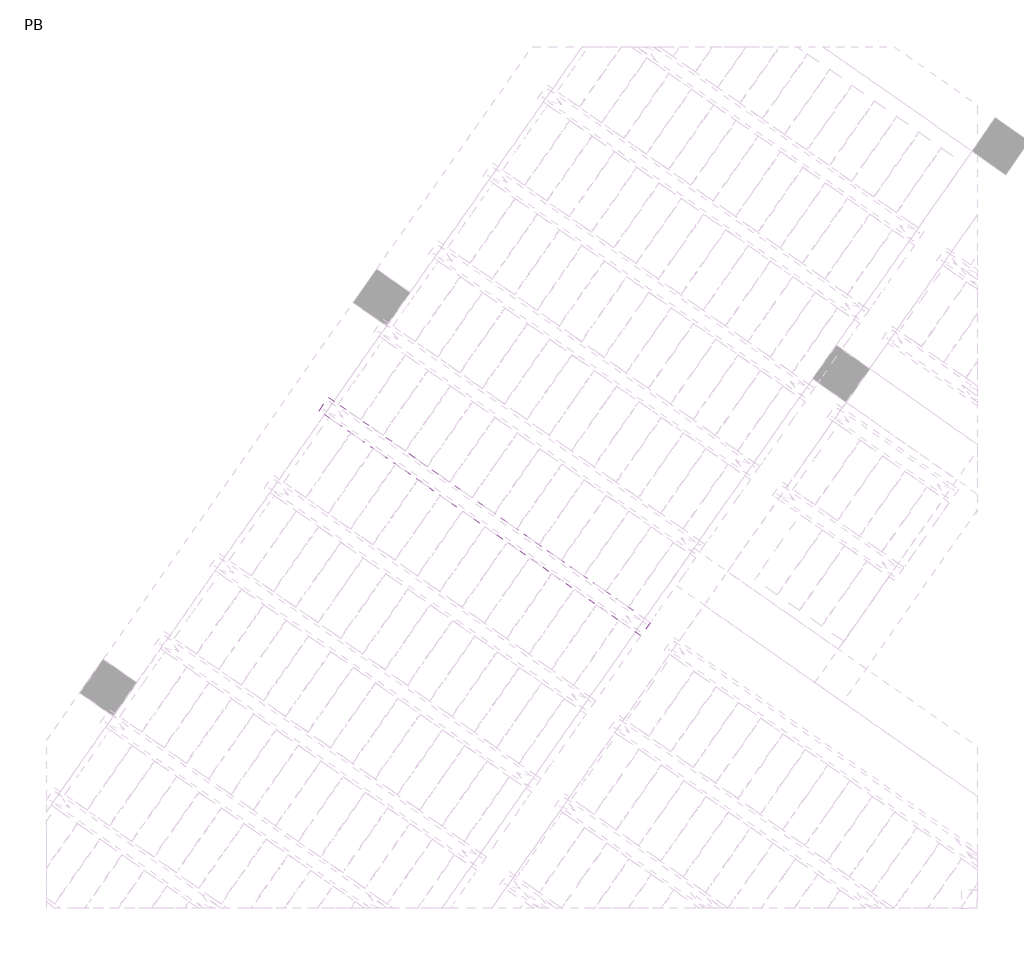
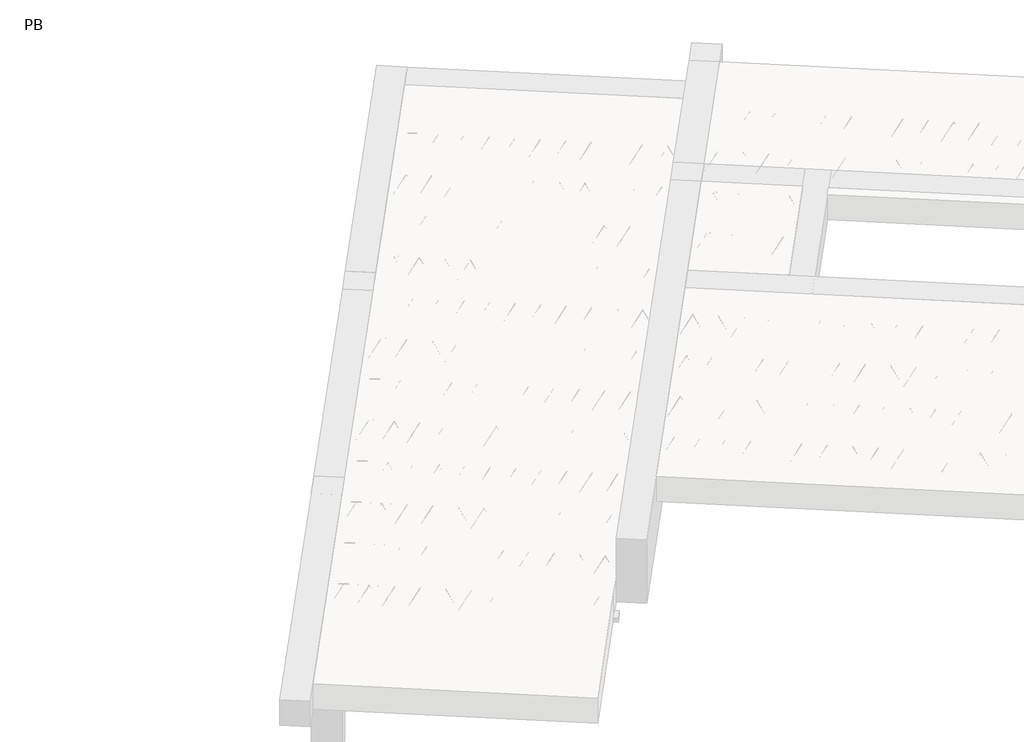
# One storey, part 34 of 56: 2 beams.
"""IFC4 building model written with IfcOpenShell, lengths in millimetres."""

from ifc_helpers import new_model, si_unit, point, frame, origin, origin_2d, place, context, project, spatial, polyline, circle_curve, trimmed, segment, composite_curve, outline, extrude, element, save

model = new_model("IFC4")

# Units and contexts
model_context = context("Model", 3, world=origin())
ifc_project = project(units=[si_unit("LENGTHUNIT", "METRE", prefix="MILLI")], contexts=[model_context])

# Site, building, storey
site = spatial("IfcSite", under=ifc_project)
building = spatial("IfcBuilding", under=site)
storey = spatial("IfcBuildingStorey", under=building, Name="PB", Elevation=95940.0)

# Beams
placement = place(None, origin())
element("IfcBeam", 1, at=placement, inside=storey, context=model_context, shape_type="SweptSolid", body=[
    extrude(outline(polyline([(1997.5816138, 7256.9146354), (2066.4107861, 7355.2128807), (4429.2526101, 5700.7332239), (4360.4234377, 5602.4349786), (1997.5816138, 7256.9146354)])), frame((0.0, 0.0, 98760.0), z_axis=(0.0, 0.0, 1.0), x_axis=(1.0, 0.0, 0.0)), (0.0, 0.0, 1.0), 50.0),
    extrude(outline(composite_curve([segment(trimmed(circle_curve(origin_2d(), 2.5), [point((-2.5, 0.0))], [point((2.5, 0.0))], False, "CARTESIAN"), True, "CONTINUOUS"), segment(trimmed(circle_curve(origin_2d(), 2.5), [point((2.5, 0.0))], [point((-2.5, 0.0))], False, "CARTESIAN"), True, "CONTINUOUS")], self_intersect=False)), frame((4354.5296231, 5635.8604621, 98785.0), z_axis=(-0.8191520442696126, 0.5735764363787226, 0.0), x_axis=(0.5735764363787226, 0.8191520442696126, 0.0)), (0.0, 0.0, 1.0), 2836.497256),
    extrude(outline(composite_curve([segment(trimmed(circle_curve(origin_2d(), 2.5), [point((-2.5, 0.0))], [point((2.5, 0.0))], False, "CARTESIAN"), True, "CONTINUOUS"), segment(trimmed(circle_curve(origin_2d(), 2.5), [point((2.5, 0.0))], [point((-2.5, 0.0))], False, "CARTESIAN"), True, "CONTINUOUS")], self_intersect=False)), frame((4278.3147694, 5733.1745624, 99010.0), z_axis=(-0.8191520442696126, 0.5735764363787226, 0.0), x_axis=(0.5735764363787226, 0.8191520442696126, 0.0)), (0.0, 0.0, 1.0), 2600.0),
    extrude(outline(composite_curve([segment(trimmed(circle_curve(origin_2d(), 2.5), [point((-2.5, 0.0))], [point((2.5000001, -1e-07))], False, "CARTESIAN"), True, "CONTINUOUS"), segment(trimmed(circle_curve(origin_2d(), 2.5), [point((2.5000001, -1e-07))], [point((-2.5, 0.0))], False, "CARTESIAN"), True, "CONTINUOUS")], self_intersect=False)), frame((4319.102421, 5660.6668561, 98785.0), z_axis=(-0.3145304735701046, 0.38933448886848654, 0.8657304643902053), x_axis=(0.7778747638402499, 0.6284193279813057, 0.0)), (0.0, 0.0, 1.0), 259.8961331),
    extrude(outline(composite_curve([segment(trimmed(circle_curve(origin_2d(), 2.5), [point((2.5, 0.0))], [point((-2.5, 1e-07))], False, "CARTESIAN"), True, "CONTINUOUS"), segment(trimmed(circle_curve(origin_2d(), 2.5), [point((-2.5, 1e-07))], [point((2.5, 0.0))], False, "CARTESIAN"), True, "CONTINUOUS")], self_intersect=False)), frame((4114.3144099, 5804.0609652, 98785.0), z_axis=(0.47343050384693375, -0.16240172737369005, 0.8657304643902051), x_axis=(-0.3244721671091268, -0.9458952440791246, 0.0)), (0.0, 0.0, 1.0), 259.8961331),
    extrude(outline(composite_curve([segment(trimmed(circle_curve(origin_2d(), 2.5), [point((-2.5, 0.0))], [point((2.5000001, -1e-07))], False, "CARTESIAN"), True, "CONTINUOUS"), segment(trimmed(circle_curve(origin_2d(), 2.5), [point((2.5000001, -1e-07))], [point((-2.5, 0.0))], False, "CARTESIAN"), True, "CONTINUOUS")], self_intersect=False)), frame((4114.3144099, 5804.0609652, 98785.0), z_axis=(-0.3145304735701046, 0.38933448886848654, 0.8657304643902053), x_axis=(0.7778747638402499, 0.6284193279813057, 0.0)), (0.0, 0.0, 1.0), 259.8961331),
    extrude(outline(composite_curve([segment(trimmed(circle_curve(origin_2d(), 2.5), [point((2.5, 0.0))], [point((-2.5, 0.0))], False, "CARTESIAN"), True, "CONTINUOUS"), segment(trimmed(circle_curve(origin_2d(), 2.5), [point((-2.5, 0.0))], [point((2.5, 0.0))], False, "CARTESIAN"), True, "CONTINUOUS")], self_intersect=False)), frame((3909.5263989, 5947.4550743, 98785.0), z_axis=(0.47343050384693375, -0.16240172737369005, 0.8657304643902051), x_axis=(-0.3244721671091268, -0.9458952440791246, 0.0)), (0.0, 0.0, 1.0), 259.8961331),
    extrude(outline(composite_curve([segment(trimmed(circle_curve(origin_2d(), 2.5), [point((-2.5, 0.0))], [point((2.5, 0.0))], False, "CARTESIAN"), True, "CONTINUOUS"), segment(trimmed(circle_curve(origin_2d(), 2.5), [point((2.5, 0.0))], [point((-2.5, 0.0))], False, "CARTESIAN"), True, "CONTINUOUS")], self_intersect=False)), frame((3909.5263989, 5947.4550743, 98785.0), z_axis=(-0.3145304735701046, 0.38933448886848654, 0.8657304643902053), x_axis=(0.7778747638402499, 0.6284193279813057, 0.0)), (0.0, 0.0, 1.0), 259.8961331),
    extrude(outline(composite_curve([segment(trimmed(circle_curve(origin_2d(), 2.5), [point((2.5, 0.0))], [point((-2.5, 0.0))], False, "CARTESIAN"), True, "CONTINUOUS"), segment(trimmed(circle_curve(origin_2d(), 2.5), [point((-2.5, 0.0))], [point((2.5, 0.0))], False, "CARTESIAN"), True, "CONTINUOUS")], self_intersect=False)), frame((3704.7383878, 6090.8491834, 98785.0), z_axis=(0.47343050384693375, -0.16240172737369005, 0.8657304643902051), x_axis=(-0.3244721671091268, -0.9458952440791246, 0.0)), (0.0, 0.0, 1.0), 259.8961331),
    extrude(outline(composite_curve([segment(trimmed(circle_curve(origin_2d(), 2.5), [point((-2.5, 0.0))], [point((2.5, 0.0))], False, "CARTESIAN"), True, "CONTINUOUS"), segment(trimmed(circle_curve(origin_2d(), 2.5), [point((2.5, 0.0))], [point((-2.5, 0.0))], False, "CARTESIAN"), True, "CONTINUOUS")], self_intersect=False)), frame((3704.7383878, 6090.8491834, 98785.0), z_axis=(-0.3145304735701046, 0.38933448886848654, 0.8657304643902053), x_axis=(0.7778747638402499, 0.6284193279813057, 0.0)), (0.0, 0.0, 1.0), 259.8961331),
    extrude(outline(composite_curve([segment(trimmed(circle_curve(origin_2d(), 2.5), [point((2.5, 0.0))], [point((-2.5, 1e-07))], False, "CARTESIAN"), True, "CONTINUOUS"), segment(trimmed(circle_curve(origin_2d(), 2.5), [point((-2.5, 1e-07))], [point((2.5, 0.0))], False, "CARTESIAN"), True, "CONTINUOUS")], self_intersect=False)), frame((3499.9503767, 6234.2432925, 98785.0), z_axis=(0.47343050384693375, -0.16240172737369005, 0.8657304643902051), x_axis=(-0.3244721671091268, -0.9458952440791246, 0.0)), (0.0, 0.0, 1.0), 259.8961331),
    extrude(outline(composite_curve([segment(trimmed(circle_curve(origin_2d(), 2.5), [point((-2.5, 0.0))], [point((2.5, 0.0))], False, "CARTESIAN"), True, "CONTINUOUS"), segment(trimmed(circle_curve(origin_2d(), 2.5), [point((2.5, 0.0))], [point((-2.5, 0.0))], False, "CARTESIAN"), True, "CONTINUOUS")], self_intersect=False)), frame((3499.9503768, 6234.2432924, 98785.0), z_axis=(-0.3145304735701046, 0.38933448886848654, 0.8657304643902053), x_axis=(0.7778747638402499, 0.6284193279813057, 0.0)), (0.0, 0.0, 1.0), 259.8961331),
    extrude(outline(composite_curve([segment(trimmed(circle_curve(origin_2d(), 2.5), [point((2.5, -1e-07))], [point((-2.5, 0.0))], False, "CARTESIAN"), True, "CONTINUOUS"), segment(trimmed(circle_curve(origin_2d(), 2.5), [point((-2.5, 0.0))], [point((2.5, -1e-07))], False, "CARTESIAN"), True, "CONTINUOUS")], self_intersect=False)), frame((3295.1623658, 6377.6374015, 98785.0), z_axis=(0.47343050384693375, -0.16240172737369005, 0.8657304643902051), x_axis=(-0.3244721671091268, -0.9458952440791246, 0.0)), (0.0, 0.0, 1.0), 259.8961331),
    extrude(outline(composite_curve([segment(trimmed(circle_curve(origin_2d(), 2.5), [point((-2.5, 0.0))], [point((2.5, 0.0))], False, "CARTESIAN"), True, "CONTINUOUS"), segment(trimmed(circle_curve(origin_2d(), 2.5), [point((2.5, 0.0))], [point((-2.5, 0.0))], False, "CARTESIAN"), True, "CONTINUOUS")], self_intersect=False)), frame((3295.1623658, 6377.6374015, 98785.0), z_axis=(-0.3145304735701046, 0.38933448886848654, 0.8657304643902053), x_axis=(0.7778747638402499, 0.6284193279813057, 0.0)), (0.0, 0.0, 1.0), 259.8961331),
    extrude(outline(composite_curve([segment(trimmed(circle_curve(origin_2d(), 2.5), [point((2.5, 0.0))], [point((-2.5, 0.0))], False, "CARTESIAN"), True, "CONTINUOUS"), segment(trimmed(circle_curve(origin_2d(), 2.5), [point((-2.5, 0.0))], [point((2.5, 0.0))], False, "CARTESIAN"), True, "CONTINUOUS")], self_intersect=False)), frame((3090.3743547, 6521.0315106, 98785.0), z_axis=(0.47343050384693375, -0.16240172737369005, 0.8657304643902051), x_axis=(-0.3244721671091268, -0.9458952440791246, 0.0)), (0.0, 0.0, 1.0), 259.8961331),
    extrude(outline(composite_curve([segment(trimmed(circle_curve(origin_2d(), 2.5), [point((-2.5, 0.0))], [point((2.5, 0.0))], False, "CARTESIAN"), True, "CONTINUOUS"), segment(trimmed(circle_curve(origin_2d(), 2.5), [point((2.5, 0.0))], [point((-2.5, 0.0))], False, "CARTESIAN"), True, "CONTINUOUS")], self_intersect=False)), frame((3090.3743547, 6521.0315106, 98785.0), z_axis=(-0.3145304735701046, 0.38933448886848654, 0.8657304643902053), x_axis=(0.7778747638402499, 0.6284193279813057, 0.0)), (0.0, 0.0, 1.0), 259.8961331),
    extrude(outline(composite_curve([segment(trimmed(circle_curve(origin_2d(), 2.5), [point((2.5, 0.0))], [point((-2.5, 0.0))], False, "CARTESIAN"), True, "CONTINUOUS"), segment(trimmed(circle_curve(origin_2d(), 2.5), [point((-2.5, 0.0))], [point((2.5, 0.0))], False, "CARTESIAN"), True, "CONTINUOUS")], self_intersect=False)), frame((2885.5863436, 6664.4256197, 98785.0), z_axis=(0.47343050384693375, -0.16240172737369005, 0.8657304643902051), x_axis=(-0.3244721671091268, -0.9458952440791246, 0.0)), (0.0, 0.0, 1.0), 259.8961331),
    extrude(outline(composite_curve([segment(trimmed(circle_curve(origin_2d(), 2.5), [point((-2.5, 0.0))], [point((2.5, 0.0))], False, "CARTESIAN"), True, "CONTINUOUS"), segment(trimmed(circle_curve(origin_2d(), 2.5), [point((2.5, 0.0))], [point((-2.5, 0.0))], False, "CARTESIAN"), True, "CONTINUOUS")], self_intersect=False)), frame((2885.5863436, 6664.4256197, 98785.0), z_axis=(-0.3145304735701046, 0.38933448886848654, 0.8657304643902053), x_axis=(0.7778747638402499, 0.6284193279813057, 0.0)), (0.0, 0.0, 1.0), 259.8961331),
    extrude(outline(composite_curve([segment(trimmed(circle_curve(origin_2d(), 2.5), [point((2.5, -1e-07))], [point((-2.5, 0.0))], False, "CARTESIAN"), True, "CONTINUOUS"), segment(trimmed(circle_curve(origin_2d(), 2.5), [point((-2.5, 0.0))], [point((2.5, -1e-07))], False, "CARTESIAN"), True, "CONTINUOUS")], self_intersect=False)), frame((2680.7983326, 6807.8197288, 98785.0), z_axis=(0.47343050384693375, -0.16240172737369005, 0.8657304643902051), x_axis=(-0.3244721671091268, -0.9458952440791246, 0.0)), (0.0, 0.0, 1.0), 259.8961331),
    extrude(outline(composite_curve([segment(trimmed(circle_curve(origin_2d(), 2.5), [point((-2.5000001, 1e-07))], [point((2.5, 0.0))], False, "CARTESIAN"), True, "CONTINUOUS"), segment(trimmed(circle_curve(origin_2d(), 2.5), [point((2.5, 0.0))], [point((-2.5000001, 1e-07))], False, "CARTESIAN"), True, "CONTINUOUS")], self_intersect=False)), frame((2680.7983326, 6807.8197288, 98785.0), z_axis=(-0.3145304735701046, 0.38933448886848654, 0.8657304643902053), x_axis=(0.7778747638402499, 0.6284193279813057, 0.0)), (0.0, 0.0, 1.0), 259.8961331),
    extrude(outline(composite_curve([segment(trimmed(circle_curve(origin_2d(), 2.5), [point((2.5, 0.0))], [point((-2.5, 0.0))], False, "CARTESIAN"), True, "CONTINUOUS"), segment(trimmed(circle_curve(origin_2d(), 2.5), [point((-2.5, 0.0))], [point((2.5, 0.0))], False, "CARTESIAN"), True, "CONTINUOUS")], self_intersect=False)), frame((2476.0103215, 6951.2138379, 98785.0), z_axis=(0.47343050384693375, -0.16240172737369005, 0.8657304643902051), x_axis=(-0.3244721671091268, -0.9458952440791246, 0.0)), (0.0, 0.0, 1.0), 259.8961331),
    extrude(outline(composite_curve([segment(trimmed(circle_curve(origin_2d(), 2.5), [point((-2.5, 0.0))], [point((2.5, 0.0))], False, "CARTESIAN"), True, "CONTINUOUS"), segment(trimmed(circle_curve(origin_2d(), 2.5), [point((2.5, 0.0))], [point((-2.5, 0.0))], False, "CARTESIAN"), True, "CONTINUOUS")], self_intersect=False)), frame((2476.0103215, 6951.2138379, 98785.0), z_axis=(-0.3145304735701046, 0.38933448886848654, 0.8657304643902053), x_axis=(0.7778747638402499, 0.6284193279813057, 0.0)), (0.0, 0.0, 1.0), 259.8961331),
    extrude(outline(composite_curve([segment(trimmed(circle_curve(origin_2d(), 2.5), [point((2.5, 0.0))], [point((-2.5, 0.0))], False, "CARTESIAN"), True, "CONTINUOUS"), segment(trimmed(circle_curve(origin_2d(), 2.5), [point((-2.5, 0.0))], [point((2.5, 0.0))], False, "CARTESIAN"), True, "CONTINUOUS")], self_intersect=False)), frame((2271.2223104, 7094.607947, 98785.0), z_axis=(0.47343050384693375, -0.16240172737369005, 0.8657304643902051), x_axis=(-0.3244721671091268, -0.9458952440791246, 0.0)), (0.0, 0.0, 1.0), 259.8961331),
    extrude(outline(composite_curve([segment(trimmed(circle_curve(origin_2d(), 2.5), [point((-2.5, 0.0))], [point((2.5, 0.0))], False, "CARTESIAN"), True, "CONTINUOUS"), segment(trimmed(circle_curve(origin_2d(), 2.5), [point((2.5, 0.0))], [point((-2.5, 0.0))], False, "CARTESIAN"), True, "CONTINUOUS")], self_intersect=False)), frame((2271.2223104, 7094.607947, 98785.0), z_axis=(-0.3145304735701046, 0.38933448886848654, 0.8657304643902053), x_axis=(0.7778747638402499, 0.6284193279813057, 0.0)), (0.0, 0.0, 1.0), 259.8961331),
    extrude(outline(composite_curve([segment(trimmed(circle_curve(origin_2d(), 2.5), [point((2.5, -1e-07))], [point((-2.5, 0.0))], False, "CARTESIAN"), True, "CONTINUOUS"), segment(trimmed(circle_curve(origin_2d(), 2.5), [point((-2.5, 0.0))], [point((2.5, -1e-07))], False, "CARTESIAN"), True, "CONTINUOUS")], self_intersect=False)), frame((2066.4342994, 7238.0020561, 98785.0), z_axis=(0.47343050384693375, -0.16240172737369005, 0.8657304643902051), x_axis=(-0.3244721671091268, -0.9458952440791246, 0.0)), (0.0, 0.0, 1.0), 259.8961331),
    extrude(outline(composite_curve([segment(trimmed(circle_curve(origin_2d(), 2.5), [point((-2.5, 0.0))], [point((2.4999999, 0.0))], False, "CARTESIAN"), True, "CONTINUOUS"), segment(trimmed(circle_curve(origin_2d(), 2.5), [point((2.4999999, 0.0))], [point((-2.5, 0.0))], False, "CARTESIAN"), True, "CONTINUOUS")], self_intersect=False)), frame((4395.8271266, 5694.8394093, 98785.0), z_axis=(-0.8191520442696126, 0.5735764363787226, 0.0), x_axis=(0.5735764363787226, 0.8191520442696126, 0.0)), (0.0, 0.0, 1.0), 2836.497256),
    extrude(outline(composite_curve([segment(trimmed(circle_curve(origin_2d(), 2.5), [point((-2.5, 1e-07))], [point((2.5, 0.0))], False, "CARTESIAN"), True, "CONTINUOUS"), segment(trimmed(circle_curve(origin_2d(), 2.5), [point((2.5, 0.0))], [point((-2.5, 1e-07))], False, "CARTESIAN"), True, "CONTINUOUS")], self_intersect=False)), frame((4360.3999245, 5719.6458033, 98785.0), z_axis=(-0.47343050384693375, 0.16240172737369005, 0.8657304643902051), x_axis=(0.3244721671091268, 0.9458952440791246, 0.0)), (0.0, 0.0, 1.0), 259.8961331),
    extrude(outline(composite_curve([segment(trimmed(circle_curve(origin_2d(), 2.5), [point((2.5, 0.0))], [point((-2.5, 0.0))], False, "CARTESIAN"), True, "CONTINUOUS"), segment(trimmed(circle_curve(origin_2d(), 2.5), [point((-2.5, 0.0))], [point((2.5, 0.0))], False, "CARTESIAN"), True, "CONTINUOUS")], self_intersect=False)), frame((4155.6119134, 5863.0399124, 98785.0), z_axis=(0.3145304735701046, -0.38933448886848654, 0.8657304643902053), x_axis=(-0.7778747638402499, -0.6284193279813057, 0.0)), (0.0, 0.0, 1.0), 259.8961331),
    extrude(outline(composite_curve([segment(trimmed(circle_curve(origin_2d(), 2.5), [point((-2.5, 1e-07))], [point((2.5, 0.0))], False, "CARTESIAN"), True, "CONTINUOUS"), segment(trimmed(circle_curve(origin_2d(), 2.5), [point((2.5, 0.0))], [point((-2.5, 1e-07))], False, "CARTESIAN"), True, "CONTINUOUS")], self_intersect=False)), frame((4155.6119134, 5863.0399124, 98785.0), z_axis=(-0.47343050384693375, 0.16240172737369005, 0.8657304643902051), x_axis=(0.3244721671091268, 0.9458952440791246, 0.0)), (0.0, 0.0, 1.0), 259.8961331),
    extrude(outline(composite_curve([segment(trimmed(circle_curve(origin_2d(), 2.5), [point((2.5, 0.0))], [point((-2.5, 0.0))], False, "CARTESIAN"), True, "CONTINUOUS"), segment(trimmed(circle_curve(origin_2d(), 2.5), [point((-2.5, 0.0))], [point((2.5, 0.0))], False, "CARTESIAN"), True, "CONTINUOUS")], self_intersect=False)), frame((3950.8239023, 6006.4340215, 98785.0), z_axis=(0.3145304735701046, -0.38933448886848654, 0.8657304643902053), x_axis=(-0.7778747638402499, -0.6284193279813057, 0.0)), (0.0, 0.0, 1.0), 259.8961331),
    extrude(outline(composite_curve([segment(trimmed(circle_curve(origin_2d(), 2.5), [point((-2.5, 0.0))], [point((2.5, 0.0))], False, "CARTESIAN"), True, "CONTINUOUS"), segment(trimmed(circle_curve(origin_2d(), 2.5), [point((2.5, 0.0))], [point((-2.5, 0.0))], False, "CARTESIAN"), True, "CONTINUOUS")], self_intersect=False)), frame((3950.8239023, 6006.4340215, 98785.0), z_axis=(-0.47343050384693375, 0.16240172737369005, 0.8657304643902051), x_axis=(0.3244721671091268, 0.9458952440791246, 0.0)), (0.0, 0.0, 1.0), 259.8961331),
    extrude(outline(composite_curve([segment(trimmed(circle_curve(origin_2d(), 2.5), [point((2.5, 1e-07))], [point((-2.5, 0.0))], False, "CARTESIAN"), True, "CONTINUOUS"), segment(trimmed(circle_curve(origin_2d(), 2.5), [point((-2.5, 0.0))], [point((2.5, 1e-07))], False, "CARTESIAN"), True, "CONTINUOUS")], self_intersect=False)), frame((3746.0358912, 6149.8281306, 98785.0), z_axis=(0.3145304735701046, -0.38933448886848654, 0.8657304643902053), x_axis=(-0.7778747638402499, -0.6284193279813057, 0.0)), (0.0, 0.0, 1.0), 259.8961331),
    extrude(outline(composite_curve([segment(trimmed(circle_curve(origin_2d(), 2.5), [point((-2.5, 0.0))], [point((2.5, 0.0))], False, "CARTESIAN"), True, "CONTINUOUS"), segment(trimmed(circle_curve(origin_2d(), 2.5), [point((2.5, 0.0))], [point((-2.5, 0.0))], False, "CARTESIAN"), True, "CONTINUOUS")], self_intersect=False)), frame((3746.0358912, 6149.8281306, 98785.0), z_axis=(-0.47343050384693375, 0.16240172737369005, 0.8657304643902051), x_axis=(0.3244721671091268, 0.9458952440791246, 0.0)), (0.0, 0.0, 1.0), 259.8961331),
    extrude(outline(composite_curve([segment(trimmed(circle_curve(origin_2d(), 2.5), [point((2.5, 1e-07))], [point((-2.5, 0.0))], False, "CARTESIAN"), True, "CONTINUOUS"), segment(trimmed(circle_curve(origin_2d(), 2.5), [point((-2.5, 0.0))], [point((2.5, 1e-07))], False, "CARTESIAN"), True, "CONTINUOUS")], self_intersect=False)), frame((3541.2478802, 6293.2222397, 98785.0), z_axis=(0.3145304735701046, -0.38933448886848654, 0.8657304643902053), x_axis=(-0.7778747638402499, -0.6284193279813057, 0.0)), (0.0, 0.0, 1.0), 259.8961331),
    extrude(outline(composite_curve([segment(trimmed(circle_curve(origin_2d(), 2.5), [point((-2.5, 0.0))], [point((2.5, -1e-07))], False, "CARTESIAN"), True, "CONTINUOUS"), segment(trimmed(circle_curve(origin_2d(), 2.5), [point((2.5, -1e-07))], [point((-2.5, 0.0))], False, "CARTESIAN"), True, "CONTINUOUS")], self_intersect=False)), frame((3541.2478802, 6293.2222396, 98785.0), z_axis=(-0.47343050384693375, 0.16240172737369005, 0.8657304643902051), x_axis=(0.3244721671091268, 0.9458952440791246, 0.0)), (0.0, 0.0, 1.0), 259.8961331),
    extrude(outline(composite_curve([segment(trimmed(circle_curve(origin_2d(), 2.5), [point((2.5, 0.0))], [point((-2.5, 0.0))], False, "CARTESIAN"), True, "CONTINUOUS"), segment(trimmed(circle_curve(origin_2d(), 2.5), [point((-2.5, 0.0))], [point((2.5, 0.0))], False, "CARTESIAN"), True, "CONTINUOUS")], self_intersect=False)), frame((3336.4598692, 6436.6163487, 98785.0), z_axis=(0.3145304735701046, -0.38933448886848654, 0.8657304643902053), x_axis=(-0.7778747638402499, -0.6284193279813057, 0.0)), (0.0, 0.0, 1.0), 259.8961331),
    extrude(outline(composite_curve([segment(trimmed(circle_curve(origin_2d(), 2.5), [point((-2.5, 0.0))], [point((2.5, 0.0))], False, "CARTESIAN"), True, "CONTINUOUS"), segment(trimmed(circle_curve(origin_2d(), 2.5), [point((2.5, 0.0))], [point((-2.5, 0.0))], False, "CARTESIAN"), True, "CONTINUOUS")], self_intersect=False)), frame((3336.4598692, 6436.6163487, 98785.0), z_axis=(-0.47343050384693375, 0.16240172737369005, 0.8657304643902051), x_axis=(0.3244721671091268, 0.9458952440791246, 0.0)), (0.0, 0.0, 1.0), 259.8961331),
    extrude(outline(composite_curve([segment(trimmed(circle_curve(origin_2d(), 2.5), [point((2.5, 0.0))], [point((-2.5, 0.0))], False, "CARTESIAN"), True, "CONTINUOUS"), segment(trimmed(circle_curve(origin_2d(), 2.5), [point((-2.5, 0.0))], [point((2.5, 0.0))], False, "CARTESIAN"), True, "CONTINUOUS")], self_intersect=False)), frame((3131.6718581, 6580.0104578, 98785.0), z_axis=(0.3145304735701046, -0.38933448886848654, 0.8657304643902053), x_axis=(-0.7778747638402499, -0.6284193279813057, 0.0)), (0.0, 0.0, 1.0), 259.8961331),
    extrude(outline(composite_curve([segment(trimmed(circle_curve(origin_2d(), 2.5), [point((-2.5, 0.0))], [point((2.5, 0.0))], False, "CARTESIAN"), True, "CONTINUOUS"), segment(trimmed(circle_curve(origin_2d(), 2.5), [point((2.5, 0.0))], [point((-2.5, 0.0))], False, "CARTESIAN"), True, "CONTINUOUS")], self_intersect=False)), frame((3131.6718581, 6580.0104578, 98785.0), z_axis=(-0.47343050384693375, 0.16240172737369005, 0.8657304643902051), x_axis=(0.3244721671091268, 0.9458952440791246, 0.0)), (0.0, 0.0, 1.0), 259.8961331),
    extrude(outline(composite_curve([segment(trimmed(circle_curve(origin_2d(), 2.5), [point((2.5, 0.0))], [point((-2.5000001, 1e-07))], False, "CARTESIAN"), True, "CONTINUOUS"), segment(trimmed(circle_curve(origin_2d(), 2.5), [point((-2.5000001, 1e-07))], [point((2.5, 0.0))], False, "CARTESIAN"), True, "CONTINUOUS")], self_intersect=False)), frame((2926.883847, 6723.4045669, 98785.0), z_axis=(0.3145304735701046, -0.38933448886848654, 0.8657304643902053), x_axis=(-0.7778747638402499, -0.6284193279813057, 0.0)), (0.0, 0.0, 1.0), 259.8961331),
    extrude(outline(composite_curve([segment(trimmed(circle_curve(origin_2d(), 2.5), [point((-2.5, 0.0))], [point((2.5, -1e-07))], False, "CARTESIAN"), True, "CONTINUOUS"), segment(trimmed(circle_curve(origin_2d(), 2.5), [point((2.5, -1e-07))], [point((-2.5, 0.0))], False, "CARTESIAN"), True, "CONTINUOUS")], self_intersect=False)), frame((2926.883847, 6723.4045669, 98785.0), z_axis=(-0.47343050384693375, 0.16240172737369005, 0.8657304643902051), x_axis=(0.3244721671091268, 0.9458952440791246, 0.0)), (0.0, 0.0, 1.0), 259.8961331),
    extrude(outline(composite_curve([segment(trimmed(circle_curve(origin_2d(), 2.5), [point((2.5, 0.0))], [point((-2.5, 0.0))], False, "CARTESIAN"), True, "CONTINUOUS"), segment(trimmed(circle_curve(origin_2d(), 2.5), [point((-2.5, 0.0))], [point((2.5, 0.0))], False, "CARTESIAN"), True, "CONTINUOUS")], self_intersect=False)), frame((2722.095836, 6866.798676, 98785.0), z_axis=(0.3145304735701046, -0.38933448886848654, 0.8657304643902053), x_axis=(-0.7778747638402499, -0.6284193279813057, 0.0)), (0.0, 0.0, 1.0), 259.8961331),
    extrude(outline(composite_curve([segment(trimmed(circle_curve(origin_2d(), 2.5), [point((-2.5, 0.0))], [point((2.5, 0.0))], False, "CARTESIAN"), True, "CONTINUOUS"), segment(trimmed(circle_curve(origin_2d(), 2.5), [point((2.5, 0.0))], [point((-2.5, 0.0))], False, "CARTESIAN"), True, "CONTINUOUS")], self_intersect=False)), frame((2722.095836, 6866.798676, 98785.0), z_axis=(-0.47343050384693375, 0.16240172737369005, 0.8657304643902051), x_axis=(0.3244721671091268, 0.9458952440791246, 0.0)), (0.0, 0.0, 1.0), 259.8961331),
    extrude(outline(composite_curve([segment(trimmed(circle_curve(origin_2d(), 2.5), [point((2.5, 0.0))], [point((-2.5, 0.0))], False, "CARTESIAN"), True, "CONTINUOUS"), segment(trimmed(circle_curve(origin_2d(), 2.5), [point((-2.5, 0.0))], [point((2.5, 0.0))], False, "CARTESIAN"), True, "CONTINUOUS")], self_intersect=False)), frame((2517.3078249, 7010.1927851, 98785.0), z_axis=(0.3145304735701046, -0.38933448886848654, 0.8657304643902053), x_axis=(-0.7778747638402499, -0.6284193279813057, 0.0)), (0.0, 0.0, 1.0), 259.8961331),
    extrude(outline(composite_curve([segment(trimmed(circle_curve(origin_2d(), 2.5), [point((-2.5, 0.0))], [point((2.5, 0.0))], False, "CARTESIAN"), True, "CONTINUOUS"), segment(trimmed(circle_curve(origin_2d(), 2.5), [point((2.5, 0.0))], [point((-2.5, 0.0))], False, "CARTESIAN"), True, "CONTINUOUS")], self_intersect=False)), frame((2517.3078249, 7010.1927851, 98785.0), z_axis=(-0.47343050384693375, 0.16240172737369005, 0.8657304643902051), x_axis=(0.3244721671091268, 0.9458952440791246, 0.0)), (0.0, 0.0, 1.0), 259.8961331),
    extrude(outline(composite_curve([segment(trimmed(circle_curve(origin_2d(), 2.5), [point((2.5, 0.0))], [point((-2.5000001, 1e-07))], False, "CARTESIAN"), True, "CONTINUOUS"), segment(trimmed(circle_curve(origin_2d(), 2.5), [point((-2.5000001, 1e-07))], [point((2.5, 0.0))], False, "CARTESIAN"), True, "CONTINUOUS")], self_intersect=False)), frame((2312.5198138, 7153.5868942, 98785.0), z_axis=(0.3145304735701046, -0.38933448886848654, 0.8657304643902053), x_axis=(-0.7778747638402499, -0.6284193279813057, 0.0)), (0.0, 0.0, 1.0), 259.8961331),
    extrude(outline(composite_curve([segment(trimmed(circle_curve(origin_2d(), 2.5), [point((-2.5, 0.0))], [point((2.5, -1e-07))], False, "CARTESIAN"), True, "CONTINUOUS"), segment(trimmed(circle_curve(origin_2d(), 2.5), [point((2.5, -1e-07))], [point((-2.5, 0.0))], False, "CARTESIAN"), True, "CONTINUOUS")], self_intersect=False)), frame((2312.5198138, 7153.5868942, 98785.0), z_axis=(-0.47343050384693375, 0.16240172737369005, 0.8657304643902051), x_axis=(0.3244721671091268, 0.9458952440791246, 0.0)), (0.0, 0.0, 1.0), 259.8961331),
    extrude(outline(composite_curve([segment(trimmed(circle_curve(origin_2d(), 2.5), [point((2.5, 1e-07))], [point((-2.5, 0.0))], False, "CARTESIAN"), True, "CONTINUOUS"), segment(trimmed(circle_curve(origin_2d(), 2.5), [point((-2.5, 0.0))], [point((2.5, 1e-07))], False, "CARTESIAN"), True, "CONTINUOUS")], self_intersect=False)), frame((2107.7318028, 7296.9810033, 98785.0), z_axis=(0.3145304735701046, -0.38933448886848654, 0.8657304643902053), x_axis=(-0.7778747638402499, -0.6284193279813057, 0.0)), (0.0, 0.0, 1.0), 259.8961331),
])
element("IfcBeam", 2, at=placement, inside=storey, context=model_context, shape_type="SweptSolid", body=[
    extrude(outline(polyline([(2399.1140017, 7830.3008427), (2467.9431741, 7928.599088), (4830.7561156, 6274.1396549), (4761.9269432, 6175.8414096), (2399.1140017, 7830.3008427)])), frame((0.0, 0.0, 98760.0), z_axis=(0.0, 0.0, 1.0), x_axis=(1.0, 0.0, 0.0)), (0.0, 0.0, 1.0), 50.0),
])

save(model, "model.ifc")
